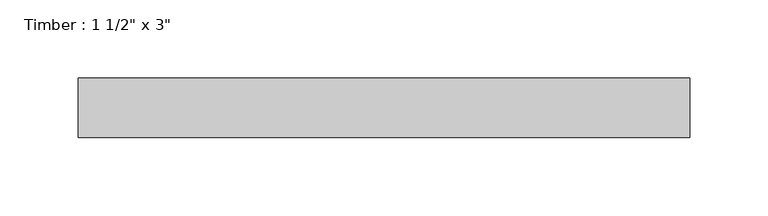
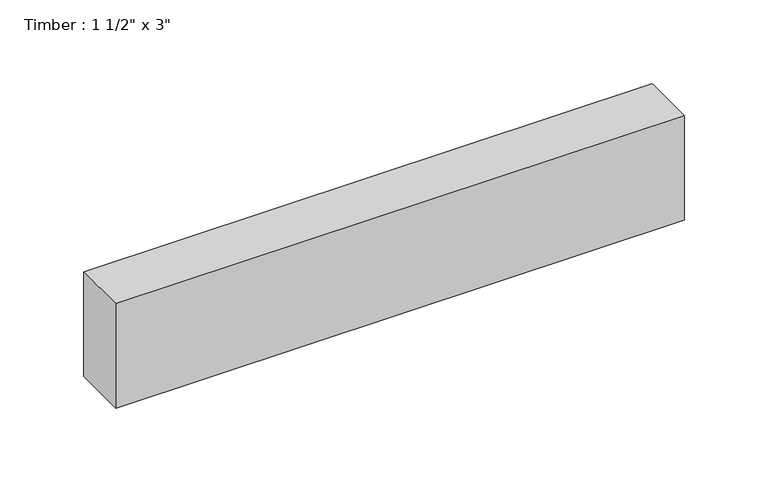
"""IFC4 building model written with IfcOpenShell, lengths in millimetres: beam geometry."""

from ifc_helpers import new_model, si_unit, frame, origin, place, context, project, spatial, polyline, outline, extrude, source, transform, mapped, element, save


def beam_f884ad59(model_context):
    return source(origin(), model_context, "Body", "SweptSolid", [
        extrude(outline(polyline([(195.5143702, 19.05), (195.5143702, -19.05), (-195.5143702, -19.05), (-195.5143702, 19.05), (195.5143702, 19.05)])), frame((0.0, 0.0, -38.1), z_axis=(0.0, 0.0, 1.0), x_axis=(1.0, 0.0, 0.0)), (0.0, 0.0, 1.0), 76.2),
    ])


if __name__ == "__main__":
    model = new_model("IFC4")
    model_context = context("Model", 3, world=origin())
    ifc_project = project(units=[si_unit("LENGTHUNIT", "METRE", prefix="MILLI")], contexts=[model_context])
    site = spatial("IfcSite", under=ifc_project)
    building = spatial("IfcBuilding", under=site)
    placement = place(None, origin())
    beam_shape = beam_f884ad59(model_context)
    element("IfcBeam", 1, ObjectType="Timber : 1 1/2\" x 3\"", at=placement, inside=building, context=model_context, shape_type="MappedRepresentation", body=[
        mapped(beam_shape, transform((0.0, 0.0, 0.0), x_axis=(1.0, 0.0, 0.0), y_axis=(0.0, 1.0, 0.0), z_axis=(0.0, 0.0, 1.0))),
    ])
    save(model, "model.ifc")
